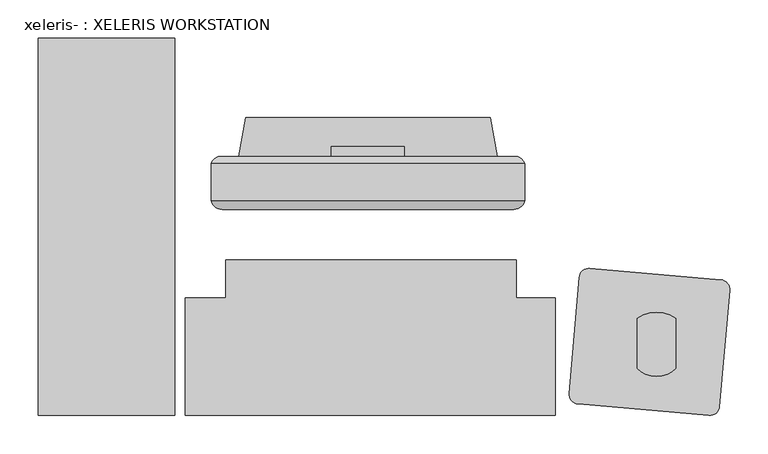
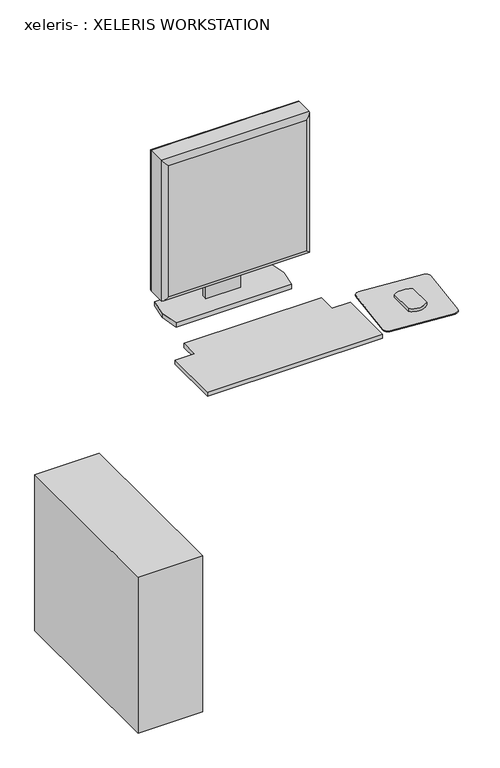
"""IFC4 building model written with IfcOpenShell, lengths in millimetres: proxy geometry, xeleris- : XELERIS WORKSTATION."""

from ifc_helpers import new_model, si_unit, point, frame, frame_2d, origin, origin_with_axes, place, context, project, spatial, polyline, circle_curve, ellipse_curve, trimmed, segment, composite_curve, outline, extrude, source, transform, mapped, element, save
from ifc_brep_helpers import plane_surface, cylinder_surface, advanced_brep


def xeleris_xeleris_workstation_d8d7b9ec(model_context):
    return source(origin(), model_context, "Body", "SolidModel", [
        advanced_brep(
        [(-276.491024, -1099.2886921, 1419.86), (-276.491024, -1142.4193727, 1419.86), (-276.491024, -1147.4164155, 1419.86), (132.448976, -1147.4164155, 1419.86), (132.448976, -1142.4193727, 1419.86), (132.448976, -1099.2886921, 1419.86), (132.448976, -1099.2886921, 1010.2963264), (132.448976, -1142.4193727, 1010.2963264), (132.448976, -1147.4164155, 1010.2963264), (-276.491024, -1147.4164155, 1010.2963264), (-276.491024, -1142.4193727, 1010.2963264), (-276.491024, -1099.2886921, 1010.2963264), (-267.253388, -1090.0510561, 1019.5339624), (-267.253388, -1090.0510561, 1410.622364), (123.21134, -1090.0510561, 1410.622364), (123.21134, -1090.0510561, 1019.5339624), (-262.3268634, -1159.300733, 1405.694569), (-262.3268634, -1159.300733, 1024.4617574), (118.283545, -1159.300733, 1024.460487), (118.2848154, -1159.300733, 1405.694569)],
        [
            (0, 1),
            (1, 2),
            (2, 3),
            (3, 4),
            (4, 5),
            (5, 0),
            (6, 7),
            (7, 8),
            (8, 9),
            (9, 10),
            (10, 11),
            (11, 6),
            (12, 13),
            (13, 14),
            (14, 15),
            (15, 12),
            (0, 11),
            (9, 2),
            (16, 17),
            (17, 18),
            (18, 19),
            (19, 16),
            (3, 8),
            (6, 5),
            (12, 11, ellipse_curve(frame((-260.3763357, -1106.1657444, 1026.4110147), z_axis=(-0.7071067811865452, 0.0, 0.7071067811865498), x_axis=(-0.7071067811865498, 0.0, -0.7071067811865452)), 24.7780962, 17.5207599)),
            (0, 13, ellipse_curve(frame((-260.3763357, -1106.1657444, 1403.7453117), z_axis=(-0.7071067811865498, 0.0, -0.7071067811865452), x_axis=(0.7071067811865452, 0.0, -0.7071067811865498)), 24.7780962, 17.5207599)),
            (16, 2, ellipse_curve(frame((-262.3268634, -1144.9178941, 1405.6958394), z_axis=(-0.7071067811865498, 0.0, -0.7071067811865452), x_axis=(0.7071067811865452, 0.0, -0.7071067811865498)), 20.3404059, 14.3828389)),
            (9, 17, ellipse_curve(frame((-262.3268634, -1144.9178941, 1024.460487), z_axis=(-0.7071067811865452, 0.0, 0.7071067811865498), x_axis=(-0.7071067811865498, 0.0, -0.7071067811865452)), 20.3404059, 14.3828389)),
            (15, 6, ellipse_curve(frame((116.3342877, -1106.1657444, 1026.4110147), z_axis=(-0.7071067811865498, 0.0, -0.7071067811865452), x_axis=(0.7071067811865452, 0.0, -0.7071067811865497)), 24.7780962, 17.5207599)),
            (8, 18, ellipse_curve(frame((118.2848154, -1144.9178941, 1024.460487), z_axis=(-0.7071067811865498, 0.0, -0.7071067811865452), x_axis=(0.7071067811865452, 0.0, -0.7071067811865497)), 20.3404059, 14.3828389)),
            (14, 5, ellipse_curve(frame((116.3342877, -1106.1657444, 1403.7453117), z_axis=(0.7071067811865452, 0.0, -0.7071067811865498), x_axis=(0.7071067811865498, 0.0, 0.7071067811865452)), 24.7780962, 17.5207599)),
            (3, 19, ellipse_curve(frame((118.2848154, -1144.9178941, 1405.6958394), z_axis=(0.7071067811865452, 0.0, -0.7071067811865498), x_axis=(0.7071067811865498, 0.0, 0.7071067811865452)), 20.3404059, 14.3828389)),
        ],
        [
            plane_surface(frame((-271.411024, -1090.0510561, 1419.86), z_axis=(0.0, 0.0, 1.0), x_axis=(-1.0, 0.0, 0.0))),
            plane_surface(frame((-271.411024, -1090.0510561, 1010.2963264), z_axis=(0.0, 0.0, -1.0), x_axis=(1.0, 0.0, 0.0))),
            plane_surface(frame((132.448976, -1090.0510561, 1419.86), z_axis=(0.0, 1.0, 0.0), x_axis=(0.0, 0.0, -1.0))),
            plane_surface(frame((-276.491024, -1090.0510561, 1419.86), z_axis=(-1.0, 0.0, 0.0), x_axis=(0.0, 0.0, -1.0))),
            plane_surface(frame((-276.491024, -1159.300733, 1419.86), z_axis=(0.0, -1.0, 0.0), x_axis=(0.0, 0.0, -1.0))),
            plane_surface(frame((132.448976, -1159.300733, 1419.86), z_axis=(1.0, 0.0, 0.0), x_axis=(0.0, 0.0, -1.0))),
            cylinder_surface(frame((-260.3763357, -1106.1657444, 1419.86), z_axis=(0.0, 0.0, -1.0), x_axis=(0.0, 1.0, 0.0)), 17.5207599),
            cylinder_surface(frame((-262.3268634, -1144.9178941, 1419.86), z_axis=(0.0, 0.0, -1.0), x_axis=(0.0, 1.0, 0.0)), 14.3828389),
            cylinder_surface(frame((-276.491024, -1106.1657444, 1026.4110147), z_axis=(1.0, 0.0, 0.0), x_axis=(0.0, 1.0, 0.0)), 17.5207599),
            cylinder_surface(frame((-276.491024, -1144.9178941, 1024.460487), z_axis=(1.0, 0.0, 0.0), x_axis=(0.0, 1.0, 0.0)), 14.3828389),
            cylinder_surface(frame((116.3342877, -1106.1657444, 1010.2963264), z_axis=(0.0, 0.0, 1.0), x_axis=(0.0, 1.0, 0.0)), 17.5207599),
            cylinder_surface(frame((118.2848154, -1144.9178941, 1010.2963264), z_axis=(0.0, 0.0, 1.0), x_axis=(0.0, 1.0, 0.0)), 14.3828389),
            cylinder_surface(frame((132.448976, -1106.1657444, 1403.7453117), z_axis=(-1.0, 0.0, 0.0), x_axis=(0.0, 1.0, 0.0)), 17.5207599),
            cylinder_surface(frame((132.448976, -1144.9178941, 1405.6958394), z_axis=(-1.0, 0.0, 0.0), x_axis=(0.0, 1.0, 0.0)), 14.3828389),
        ],
        [
            (0, [[1, 2, 3, 4, 5, 6]]),
            (1, [[7, 8, 9, 10, 11, 12]]),
            (2, [[13, 14, 15, 16]]),
            (3, [[-1, 17, -11, -10, 18, -2]]),
            (4, [[19, 20, 21, 22]]),
            (5, [[-5, -4, 23, -8, -7, 24]]),
            (6, [[25, -17, 26, -13]]),
            (7, [[27, -18, 28, -19]]),
            (8, [[-25, -16, 29, -12]]),
            (9, [[30, -20, -28, -9]]),
            (10, [[-29, -15, 31, -24]]),
            (11, [[32, -21, -30, -23]]),
            (12, [[-26, -6, -31, -14]]),
            (13, [[-27, -22, -32, -3]]),
        ],
    ),
        extrude(outline(polyline([(-251.091024, -1153.3869539), (107.048976, -1153.3869539), (107.048976, -1159.300733), (-251.091024, -1159.300733), (-251.091024, -1153.3869539)])), frame((0.0, 0.0, 1035.6963264), z_axis=(0.0, 0.0, 1.0), x_axis=(1.0, 0.0, 0.0)), (0.0, 0.0, 1.0), 358.7636736),
        extrude(outline(polyline([(-1090.0510561, 1236.2794056), (-1077.3698849, 1236.2794056), (-1077.3698849, 926.6153731), (-1090.0510561, 926.6153731), (-1090.0510561, 1006.8339624), (-1087.3138237, 1006.8339624), (-1087.3138237, 1019.5339624), (-1090.0510561, 1019.5339624), (-1090.0510561, 1236.2794056)])), frame((-119.646024, 0.0, 0.0), z_axis=(1.0, 0.0, 0.0), x_axis=(0.0, 1.0, 0.0)), (0.0, 0.0, 1.0), 95.25),
        extrude(outline(polyline([(-502.0698851, -1428.2525302), (-502.0698851, -935.6998433), (-324.2698851, -935.6998433), (-324.2698851, -1428.2525302), (-502.0698851, -1428.2525302)])), origin_with_axes(), (0.0, 0.0, 1.0), 454.66),
        extrude(outline(composite_curve([segment(trimmed(circle_curve(frame_2d((216.5139754, -1248.7896062)), 12.7), [point((203.8623027, -1247.6827282))], [point((217.6208533, -1236.1379335))], False, "CARTESIAN"), True, "CONTINUOUS"), segment(polyline([(217.6208533, -1236.1379335), (388.4184343, -1251.0807856)]), True, "CONTINUOUS"), segment(trimmed(circle_curve(frame_2d((387.3115564, -1263.7324583)), 12.7), [point((388.4184343, -1251.0807856))], [point((399.963229, -1264.8393362))], False, "CARTESIAN"), True, "CONTINUOUS"), segment(polyline([(399.963229, -1264.8393362), (386.6806938, -1416.6594082)]), True, "CONTINUOUS"), segment(trimmed(circle_curve(frame_2d((374.0290212, -1415.5525302)), 12.7), [point((386.6806938, -1416.6594082))], [point((372.9221432, -1428.2042029))], False, "CARTESIAN"), True, "CONTINUOUS"), segment(polyline([(372.9221432, -1428.2042029), (202.1245622, -1413.2613508)]), True, "CONTINUOUS"), segment(trimmed(circle_curve(frame_2d((203.2314402, -1400.6096781)), 12.7), [point((202.1245622, -1413.2613508))], [point((190.5797675, -1399.5028002))], False, "CARTESIAN"), True, "CONTINUOUS"), segment(polyline([(190.5797675, -1399.5028002), (203.8623027, -1247.6827282)]), True, "CONTINUOUS")], self_intersect=False)), frame((0.0, 0.0, 914.4), z_axis=(0.0, 0.0, 1.0), x_axis=(1.0, 0.0, 0.0)), (0.0, 0.0, 1.0), 2.9133962),
        extrude(outline(composite_curve([segment(trimmed(circle_curve(frame_2d((304.4566598, -1341.6462341)), 35.5491443), [point((329.8566598, -1366.517536))], [point((279.0566598, -1366.517536))], False, "CARTESIAN"), True, "CONTINUOUS"), segment(polyline([(279.0566598, -1366.517536), (279.0566598, -1301.2221893)]), True, "CONTINUOUS"), segment(trimmed(circle_curve(frame_2d((304.4566598, -1339.3996024)), 45.8549329), [point((279.0566598, -1301.2221893))], [point((329.8566598, -1301.2221893))], False, "CARTESIAN"), True, "CONTINUOUS"), segment(polyline([(329.8566598, -1301.2221893), (329.8566598, -1366.517536)]), True, "CONTINUOUS")], self_intersect=False)), frame((0.0, 0.0, 917.3133962), z_axis=(0.0, 0.0, 1.0), x_axis=(1.0, 0.0, 0.0)), (0.0, 0.0, 1.0), 9.3019768),
        extrude(outline(polyline([(-240.677024, -1090.0510561), (-231.533024, -1038.9970561), (87.490976, -1038.9970561), (96.634976, -1090.0510561), (87.490976, -1141.1050561), (-231.533024, -1141.1050561), (-240.677024, -1090.0510561)])), frame((0.0, 0.0, 914.4), z_axis=(0.0, 0.0, 1.0), x_axis=(1.0, 0.0, 0.0)), (0.0, 0.0, 1.0), 12.2153731),
        extrude(outline(polyline([(121.4157419, -1224.8571539), (121.4157419, -1274.8968217), (172.080903, -1274.8968217), (172.080903, -1428.0571539), (-310.519097, -1428.0571539), (-310.519097, -1274.8968217), (-257.4715499, -1274.8968217), (-257.4715499, -1224.8571539), (121.4157419, -1224.8571539)])), frame((0.0, 0.0, 914.4), z_axis=(0.0, 0.0, 1.0), x_axis=(1.0, 0.0, 0.0)), (0.0, 0.0, 1.0), 12.2153731),
    ])


if __name__ == "__main__":
    model = new_model("IFC4")
    model_context = context("Model", 3, world=origin())
    ifc_project = project(units=[si_unit("LENGTHUNIT", "METRE", prefix="MILLI")], contexts=[model_context])
    site = spatial("IfcSite", under=ifc_project)
    building = spatial("IfcBuilding", under=site)
    placement = place(None, origin())
    xeleris_xeleris_workstation_shape = xeleris_xeleris_workstation_d8d7b9ec(model_context)
    element("IfcBuildingElementProxy", 1, Name="xeleris- : XELERIS WORKSTATION", ObjectType="xeleris- : XELERIS WORKSTATION", at=placement, inside=building, context=model_context, shape_type="MappedRepresentation", body=[
        mapped(xeleris_xeleris_workstation_shape, transform((0.0, 0.0, 0.0), x_axis=(1.0, 0.0, 0.0), y_axis=(0.0, 1.0, 0.0), z_axis=(0.0, 0.0, 1.0))),
    ])
    save(model, "model.ifc")
